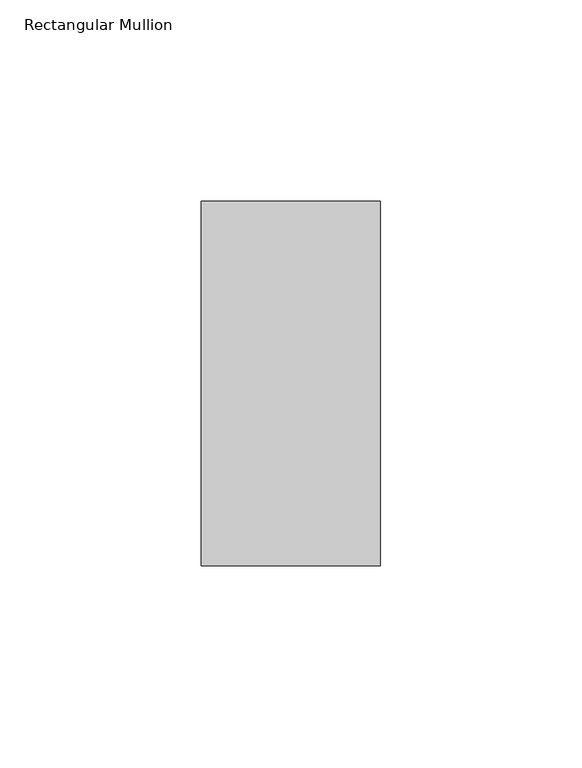
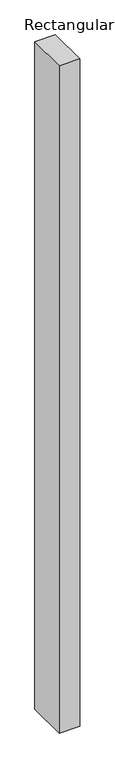
"""IFC4 building model written with IfcOpenShell, lengths in millimetres: member geometry, Rectangular Mullion."""

from ifc_helpers import new_model, si_unit, frame, origin, place, context, project, spatial, polyline, outline, extrude, source, transform, mapped, element, save


def rectangular_mullion_86d49094(model_context):
    return source(origin(), model_context, "Body", "SweptSolid", [
        extrude(outline(polyline([(0.0, 45.2274954), (0.0, -45.1980997), (-44.4460275, -45.1980997), (-44.4460275, 45.2274954), (0.0, 45.2274954)])), frame((0.0, 0.0, -1524.0), z_axis=(0.0, 0.0, 1.0), x_axis=(1.0, 0.0, 0.0)), (0.0, 0.0, 1.0), 1524.0),
    ])


if __name__ == "__main__":
    model = new_model("IFC4")
    model_context = context("Model", 3, world=origin())
    ifc_project = project(units=[si_unit("LENGTHUNIT", "METRE", prefix="MILLI")], contexts=[model_context])
    site = spatial("IfcSite", under=ifc_project)
    building = spatial("IfcBuilding", under=site)
    placement = place(None, origin())
    rectangular_mullion_shape = rectangular_mullion_86d49094(model_context)
    element("IfcMember", 1, ObjectType="Rectangular Mullion", at=placement, inside=building, context=model_context, shape_type="MappedRepresentation", body=[
        mapped(rectangular_mullion_shape, transform((0.0, 0.0, 0.0), x_axis=(1.0, 0.0, 0.0), y_axis=(0.0, 1.0, 0.0), z_axis=(0.0, 0.0, 1.0))),
    ])
    save(model, "model.ifc")
